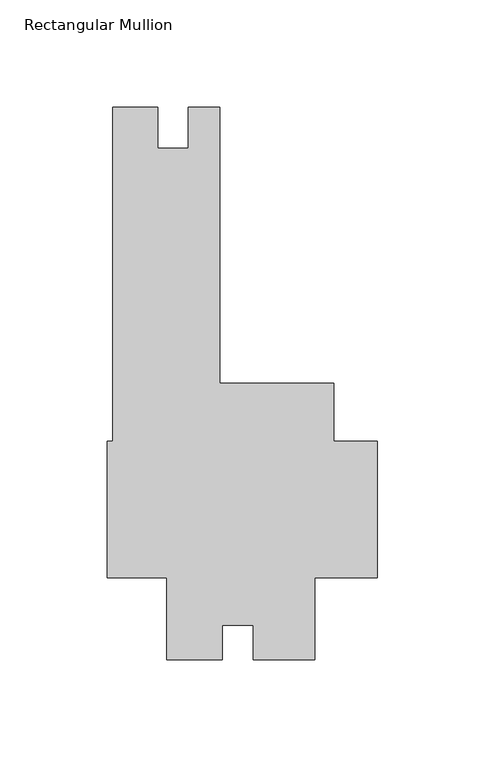
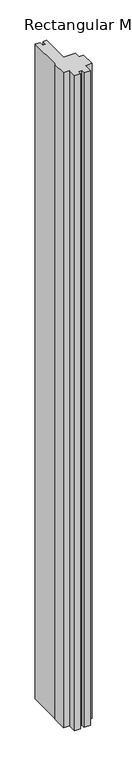
"""IFC4 building model written with IfcOpenShell, lengths in millimetres: member geometry, Rectangular Mullion."""

from ifc_helpers import new_model, si_unit, frame, origin, place, context, project, spatial, polyline, outline, extrude, source, transform, mapped, element, save


def rectangular_mullion_0b84f302(model_context):
    return source(origin(), model_context, "Body", "SweptSolid", [
        extrude(outline(polyline([(-98.1191972, -128.5747998), (-98.1191972, -90.4747998), (-125.7808, -90.4747998), (-125.7808, -26.9748), (-123.2153987, -26.9748), (-123.2153987, 128.6002014), (-102.3365921, 128.6002014), (-102.3365921, 109.5756027), (-88.0236987, 109.5756027), (-88.0236987, 128.6002027), (-73.4313987, 128.6002027), (-73.4313987, 0.0), (-20.2552305, 0.0), (-20.2552305, -26.9748), (0.0, -26.9748), (0.0, -90.4747998), (-29.2608, -90.4747998), (-29.2608, -128.5748009), (-57.7522932, -128.5748009), (-57.7522932, -112.6617), (-72.1741, -112.6617), (-72.1741, -128.5747998), (-98.1191972, -128.5747998)])), frame((0.0, 0.0, -3048.0), z_axis=(0.0, 0.0, 1.0), x_axis=(1.0, 0.0, 0.0)), (0.0, 0.0, 1.0), 3048.0),
    ])


if __name__ == "__main__":
    model = new_model("IFC4")
    model_context = context("Model", 3, world=origin())
    ifc_project = project(units=[si_unit("LENGTHUNIT", "METRE", prefix="MILLI")], contexts=[model_context])
    site = spatial("IfcSite", under=ifc_project)
    building = spatial("IfcBuilding", under=site)
    placement = place(None, origin())
    rectangular_mullion_shape = rectangular_mullion_0b84f302(model_context)
    element("IfcMember", 1, ObjectType="Rectangular Mullion", at=placement, inside=building, context=model_context, shape_type="MappedRepresentation", body=[
        mapped(rectangular_mullion_shape, transform((0.0, 0.0, 0.0), x_axis=(1.0, 0.0, 0.0), y_axis=(0.0, 1.0, 0.0), z_axis=(0.0, 0.0, 1.0))),
    ])
    save(model, "model.ifc")
